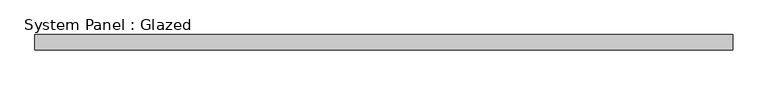
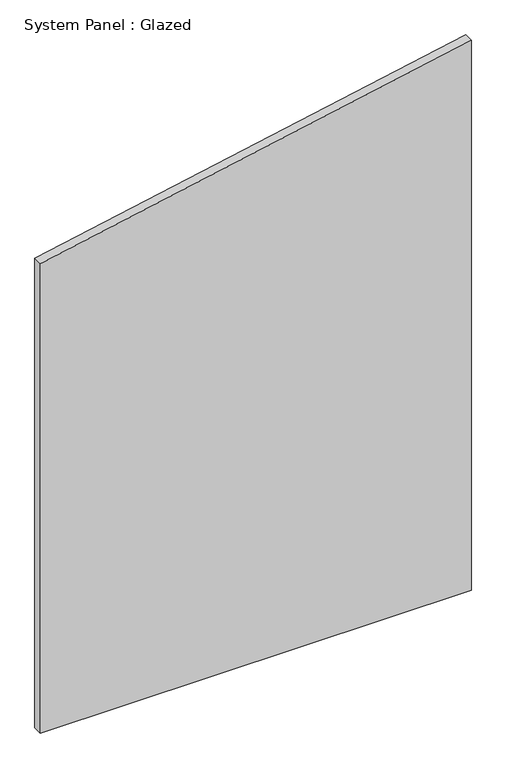
"""IFC4 building model written with IfcOpenShell, lengths in millimetres: plate geometry, System Panel : Glazed."""

from ifc_helpers import new_model, si_unit, frame, origin, place, context, project, spatial, polyline, outline, extrude, source, transform, mapped, element, save


def system_panel_glazed_2c1a38b9(model_context):
    return source(origin(), model_context, "Body", "SweptSolid", [
        extrude(outline(polyline([(0.0, -577.375), (0.0, 577.375), (1557.0053587, 577.375), (1329.2416045, -577.375), (0.0, -577.375)])), frame((0.0, 19.05, 0.0), z_axis=(0.0, 1.0, 0.0), x_axis=(0.0, 0.0, 1.0)), (0.0, 0.0, 1.0), 25.4),
    ])


if __name__ == "__main__":
    model = new_model("IFC4")
    model_context = context("Model", 3, world=origin())
    ifc_project = project(units=[si_unit("LENGTHUNIT", "METRE", prefix="MILLI")], contexts=[model_context])
    site = spatial("IfcSite", under=ifc_project)
    building = spatial("IfcBuilding", under=site)
    placement = place(None, origin())
    system_panel_glazed_shape = system_panel_glazed_2c1a38b9(model_context)
    element("IfcPlate", 1, ObjectType="System Panel : Glazed", at=placement, inside=building, context=model_context, shape_type="MappedRepresentation", body=[
        mapped(system_panel_glazed_shape, transform((0.0, 0.0, 0.0), x_axis=(1.0, 0.0, 0.0), y_axis=(0.0, 1.0, 0.0), z_axis=(0.0, 0.0, 1.0))),
    ])
    save(model, "model.ifc")
